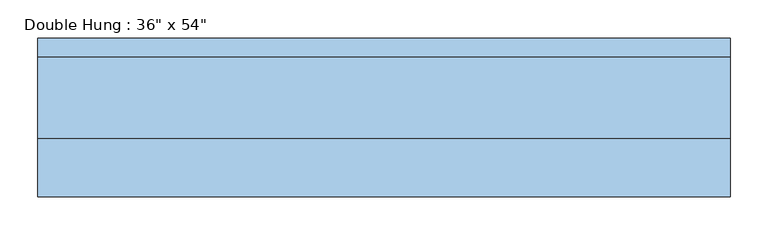
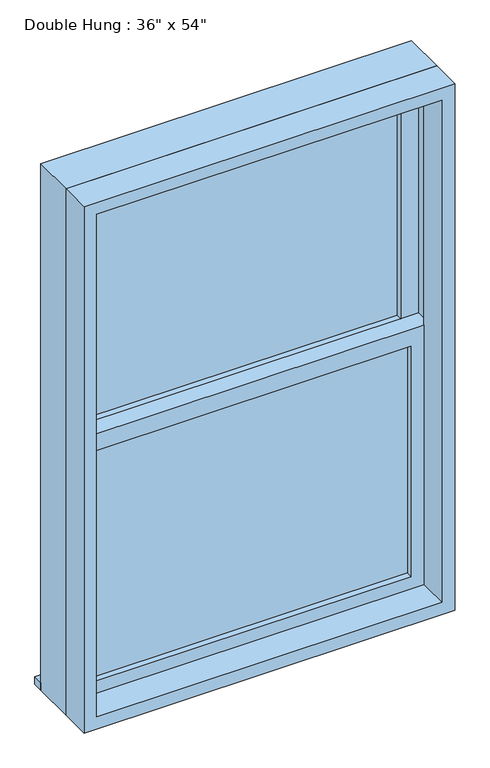
"""IFC4 building model written with IfcOpenShell, lengths in millimetres: window geometry."""

from ifc_helpers import new_model, si_unit, frame, origin, place, context, project, spatial, polyline, outline, extrude, source, transform, mapped, element, save


def window_9fe1e1af(model_context):
    return source(origin(), model_context, "Body", "SweptSolid", [
        extrude(outline(polyline([(-393.7, 12.7), (393.7, 12.7), (393.7, 0.0), (-393.7, 0.0), (-393.7, 12.7)])), frame((0.0, 0.0, 1028.7), z_axis=(0.0, 0.0, 1.0), x_axis=(1.0, 0.0, 0.0)), (0.0, 0.0, 1.0), 600.075),
        extrude(outline(polyline([(1673.225, -438.15), (984.25, -438.15), (984.25, 438.15), (1673.225, 438.15), (1673.225, -438.15)]), holes=[polyline([(1628.775, -393.7), (1628.775, 393.7), (1028.7, 393.7), (1028.7, -393.7), (1628.775, -393.7)])]), frame((0.0, -15.875, 0.0), z_axis=(0.0, 1.0, 0.0), x_axis=(0.0, 0.0, 1.0)), (0.0, 0.0, 1.0), 44.45),
        extrude(outline(polyline([(-457.2, 117.475), (457.2, 117.475), (457.2, 92.075), (-457.2, 92.075), (-457.2, 117.475)])), frame((0.0, 0.0, 965.2), z_axis=(0.0, 0.0, 1.0), x_axis=(1.0, 0.0, 0.0)), (0.0, 0.0, 1.0), 19.05),
        extrude(outline(polyline([(393.7, 44.45), (-393.7, 44.45), (-393.7, 57.15), (393.7, 57.15), (393.7, 44.45)])), frame((0.0, 0.0, 1673.225), z_axis=(0.0, 0.0, 1.0), x_axis=(1.0, 0.0, 0.0)), (0.0, 0.0, 1.0), 600.075),
        extrude(outline(polyline([(2317.75, -438.15), (1628.775, -438.15), (1628.775, 438.15), (2317.75, 438.15), (2317.75, -438.15)]), holes=[polyline([(2273.3, -393.7), (2273.3, 393.7), (1673.225, 393.7), (1673.225, -393.7), (2273.3, -393.7)])]), frame((0.0, 28.575, 0.0), z_axis=(0.0, 1.0, 0.0), x_axis=(0.0, 0.0, 1.0)), (0.0, 0.0, 1.0), 44.45),
        extrude(outline(polyline([(2336.8, -457.2), (965.2, -457.2), (965.2, 457.2), (2336.8, 457.2), (2336.8, -457.2)]), holes=[polyline([(2305.05, -425.45), (2305.05, 425.45), (996.95, 425.45), (996.95, -425.45), (2305.05, -425.45)])]), frame((0.0, -92.075, 0.0), z_axis=(0.0, 1.0, 0.0), x_axis=(0.0, 0.0, 1.0)), (0.0, 0.0, 1.0), 76.2),
        extrude(outline(polyline([(2336.8, 457.2), (2336.8, -457.2), (965.2, -457.2), (965.2, 457.2), (2336.8, 457.2)]), holes=[polyline([(2317.75, 438.15), (984.25, 438.15), (984.25, -438.15), (2317.75, -438.15), (2317.75, 438.15)])]), frame((0.0, -15.875, 0.0), z_axis=(0.0, 1.0, 0.0), x_axis=(0.0, 0.0, 1.0)), (0.0, 0.0, 1.0), 107.95),
    ])


if __name__ == "__main__":
    model = new_model("IFC4")
    model_context = context("Model", 3, world=origin())
    ifc_project = project(units=[si_unit("LENGTHUNIT", "METRE", prefix="MILLI")], contexts=[model_context])
    site = spatial("IfcSite", under=ifc_project)
    building = spatial("IfcBuilding", under=site)
    placement = place(None, origin())
    window_shape = window_9fe1e1af(model_context)
    element("IfcWindow", 1, ObjectType="Double Hung : 36\" x 54\"", at=placement, inside=building, context=model_context, shape_type="MappedRepresentation", body=[
        mapped(window_shape, transform((0.0, 0.0, 0.0), x_axis=(1.0, 0.0, 0.0), y_axis=(0.0, 1.0, 0.0), z_axis=(0.0, 0.0, 1.0))),
    ])
    save(model, "model.ifc")
